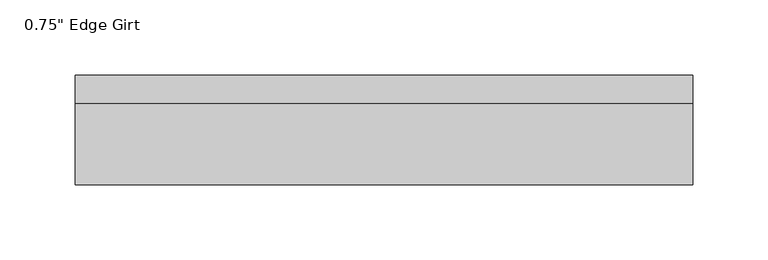
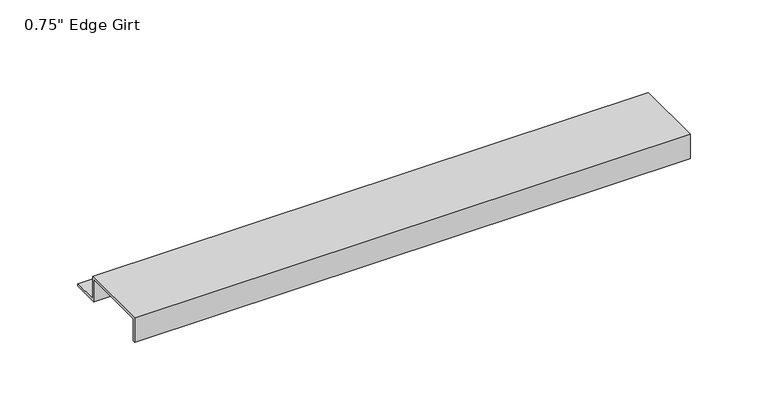
"""IFC4 building model written with IfcOpenShell, lengths in millimetres: proxy geometry."""

from ifc_helpers import new_model, si_unit, frame, origin, place, context, project, spatial, polyline, outline, extrude, source, transform, mapped, element, save


def proxy_bd0eede3(model_context):
    return source(origin(), model_context, "Body", "SweptSolid", [
        extrude(outline(polyline([(46.0559645, -17.4375), (25.4, -17.4375), (25.4, 0.0), (-25.4, 0.0), (-25.4, -17.4375), (-27.0129, -17.4375), (-27.0129, 1.6129), (27.0129, 1.6129), (27.0129, -15.8242), (46.0559645, -15.8242), (46.0559645, -17.4375)])), frame((0.0, 0.0, 0.0), z_axis=(1.0, 0.0, 0.0), x_axis=(0.0, 1.0, 0.0)), (0.0, 0.0, 1.0), 411.8237213),
    ])


if __name__ == "__main__":
    model = new_model("IFC4")
    model_context = context("Model", 3, world=origin())
    ifc_project = project(units=[si_unit("LENGTHUNIT", "METRE", prefix="MILLI")], contexts=[model_context])
    site = spatial("IfcSite", under=ifc_project)
    building = spatial("IfcBuilding", under=site)
    placement = place(None, origin())
    proxy_shape = proxy_bd0eede3(model_context)
    element("IfcBuildingElementProxy", 1, Name="0.75\" Edge Girt", ObjectType="0.75\" Edge Girt", at=placement, inside=building, context=model_context, shape_type="MappedRepresentation", body=[
        mapped(proxy_shape, transform((0.0, 0.0, 0.0), x_axis=(1.0, 0.0, 0.0), y_axis=(0.0, 1.0, 0.0), z_axis=(0.0, 0.0, 1.0))),
    ])
    save(model, "model.ifc")
